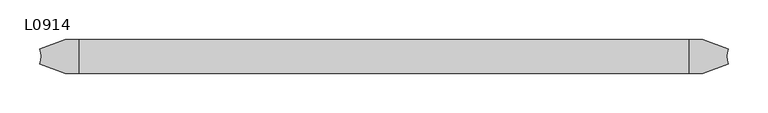
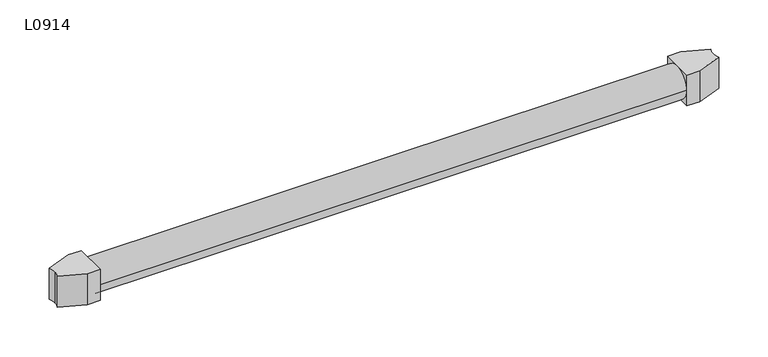
"""IFC4 building model written with IfcOpenShell, lengths in millimetres: proxy geometry, L0914."""

from ifc_helpers import new_model, si_unit, point, frame, frame_2d, origin, origin_2d, place, context, project, spatial, polyline, circle_curve, trimmed, segment, composite_curve, outline, extrude, source, transform, mapped, element, save


def l0914_106d9620(model_context):
    return source(origin(), model_context, "Body", "SweptSolid", [
        extrude(outline(composite_curve([segment(polyline([(71.4999948, 21.5), (71.4999948, -21.5), (54.4591948, -21.5), (22.4171288, -9.3788237)]), True, "CONTINUOUS"), segment(trimmed(circle_curve(origin_2d(), 24.3), [point((22.4171288, -9.3788237))], [point((24.3, 0.0))], True, "CARTESIAN"), True, "CONTINUOUS"), segment(trimmed(circle_curve(origin_2d(), 24.3), [point((24.3, 0.0))], [point((22.4171288, 9.3788237))], True, "CARTESIAN"), True, "CONTINUOUS"), segment(polyline([(22.4171288, 9.3788237), (54.4591948, 21.5), (71.4999948, 21.5)]), True, "CONTINUOUS")], self_intersect=False)), frame((0.0, 0.0, -21.5), z_axis=(0.0, 0.0, 1.0), x_axis=(1.0, 0.0, 0.0)), (0.0, 0.0, 1.0), 43.0),
        extrude(outline(composite_curve([segment(polyline([(842.4999948, -21.5), (842.4999948, 21.5), (859.5407948, 21.5), (891.5828608, 9.3788237)]), True, "CONTINUOUS"), segment(trimmed(circle_curve(frame_2d((913.9999897, 0.0)), 24.3), [point((891.5828608, 9.3788237))], [point((889.6999897, 0.0))], True, "CARTESIAN"), True, "CONTINUOUS"), segment(trimmed(circle_curve(frame_2d((913.9999897, 0.0)), 24.3), [point((889.6999897, 0.0))], [point((891.5828608, -9.3788237))], True, "CARTESIAN"), True, "CONTINUOUS"), segment(polyline([(891.5828608, -9.3788237), (859.5407948, -21.5), (842.4999948, -21.5)]), True, "CONTINUOUS")], self_intersect=False)), frame((0.0, 0.0, -21.5), z_axis=(0.0, 0.0, 1.0), x_axis=(1.0, 0.0, 0.0)), (0.0, 0.0, 1.0), 43.0),
        extrude(outline(composite_curve([segment(trimmed(circle_curve(origin_2d(), 21.4), [point((-21.4, 0.0))], [point((21.4, 0.0))], False, "CARTESIAN"), True, "CONTINUOUS"), segment(trimmed(circle_curve(origin_2d(), 21.4), [point((21.4, 0.0))], [point((-21.4, 0.0))], False, "CARTESIAN"), True, "CONTINUOUS")], self_intersect=False)), frame((71.4999948, 0.0, 0.0), z_axis=(1.0, 0.0, 0.0), x_axis=(0.0, 1.0, 0.0)), (0.0, 0.0, 1.0), 771.0),
    ])


if __name__ == "__main__":
    model = new_model("IFC4")
    model_context = context("Model", 3, world=origin())
    ifc_project = project(units=[si_unit("LENGTHUNIT", "METRE", prefix="MILLI")], contexts=[model_context])
    site = spatial("IfcSite", under=ifc_project)
    building = spatial("IfcBuilding", under=site)
    placement = place(None, origin())
    l0914_shape = l0914_106d9620(model_context)
    element("IfcBuildingElementProxy", 1, Name="L0914", ObjectType="L0914", at=placement, inside=building, context=model_context, shape_type="MappedRepresentation", body=[
        mapped(l0914_shape, transform((0.0, 0.0, 0.0), x_axis=(1.0, 0.0, 0.0), y_axis=(0.0, 1.0, 0.0), z_axis=(0.0, 0.0, 1.0))),
    ])
    save(model, "model.ifc")
